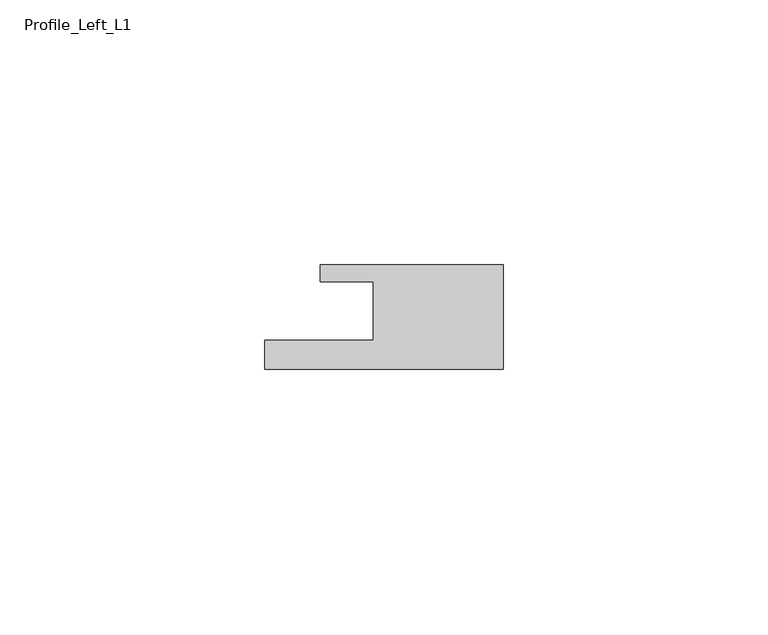
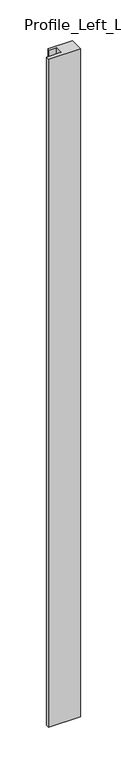
"""IFC4 building model written with IfcOpenShell, lengths in millimetres: member geometry, Profile_Left_L1."""

from ifc_helpers import new_model, si_unit, frame, origin, place, context, project, spatial, polyline, outline, extrude, source, transform, mapped, element, save


def profile_left_l1_b48ec0b7(model_context):
    return source(origin(), model_context, "Body", "SweptSolid", [
        extrude(outline(polyline([(-45.0, -5.5), (-24.5, -5.5), (-24.5, 5.5), (-34.5, 5.5), (-34.5, 8.7), (0.0, 8.7), (0.0, -11.0), (-45.0, -11.0), (-45.0, -5.5)])), frame((0.0, 0.0, -1000.0), z_axis=(0.0, 0.0, 1.0), x_axis=(1.0, 0.0, 0.0)), (0.0, 0.0, 1.0), 1000.0),
    ])


if __name__ == "__main__":
    model = new_model("IFC4")
    model_context = context("Model", 3, world=origin())
    ifc_project = project(units=[si_unit("LENGTHUNIT", "METRE", prefix="MILLI")], contexts=[model_context])
    site = spatial("IfcSite", under=ifc_project)
    building = spatial("IfcBuilding", under=site)
    placement = place(None, origin())
    profile_left_l1_shape = profile_left_l1_b48ec0b7(model_context)
    element("IfcMember", 1, ObjectType="Profile_Left_L1", at=placement, inside=building, context=model_context, shape_type="MappedRepresentation", body=[
        mapped(profile_left_l1_shape, transform((0.0, 0.0, 0.0), x_axis=(1.0, 0.0, 0.0), y_axis=(0.0, 1.0, 0.0), z_axis=(0.0, 0.0, 1.0))),
    ])
    save(model, "model.ifc")
